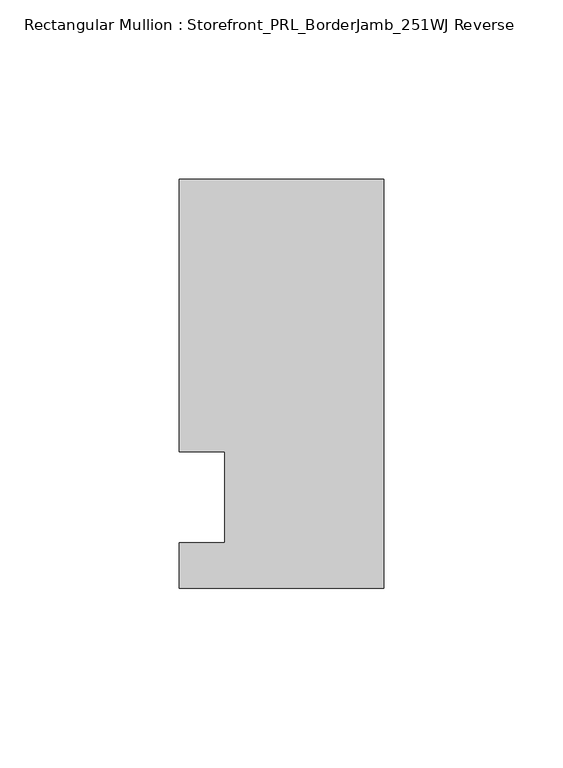
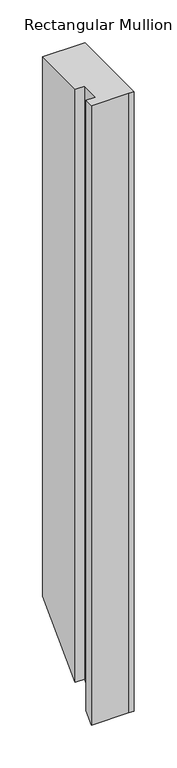
"""IFC4 building model written with IfcOpenShell, lengths in millimetres: member geometry, Rectangular Mullion : Storefront_PRL_BorderJamb_251WJ Reverse."""

from ifc_helpers import new_model, si_unit, origin, place, context, project, spatial, faceted_brep, source, transform, mapped, element, save


def rectangular_mullion_storefront_prl_borderjamb_251wj_reverse_e39357c2(model_context):
    return source(origin(), model_context, "Body", "Brep", [
        faceted_brep([(-44.45, 12.7, 0.0), (-44.45, -12.7, 0.0), (-57.15, -12.7, 0.0), (-57.15, -25.4, 0.0), (-7.3958824, -25.4, 0.0), (0.0, -25.4, 0.0), (0.0, 88.9, 0.0), (-6.35, 88.9, 0.0), (-57.15, 88.9, 0.0), (-57.15, 12.7, 0.0), (-44.45, 12.7, -844.55), (-44.45, -12.7, -869.95), (-57.15, -12.7, -869.95), (-57.15, -25.4, -882.65), (-7.3958824, -25.4, -882.65), (0.0, -25.4, -882.65), (0.0, 88.9, -768.35), (-6.35, 88.9, -768.35), (-57.15, 88.9, -768.35), (-57.15, 12.7, -844.55)], [[[0, 1, 2, 3, 4, 5, 6, 7, 8, 9]], [[1, 0, 10, 11]], [[2, 1, 11, 12]], [[3, 2, 12, 13]], [[4, 3, 13, 14]], [[5, 4, 14, 15]], [[6, 5, 15, 16]], [[7, 6, 16, 17]], [[8, 7, 17, 18]], [[9, 8, 18, 19]], [[0, 9, 19, 10]], [[10, 19, 18, 17, 16, 15, 14, 13, 12, 11]]]),
    ])


if __name__ == "__main__":
    model = new_model("IFC4")
    model_context = context("Model", 3, world=origin())
    ifc_project = project(units=[si_unit("LENGTHUNIT", "METRE", prefix="MILLI")], contexts=[model_context])
    site = spatial("IfcSite", under=ifc_project)
    building = spatial("IfcBuilding", under=site)
    placement = place(None, origin())
    rectangular_mullion_storefront_prl_borderjamb_251wj_reverse_shape = rectangular_mullion_storefront_prl_borderjamb_251wj_reverse_e39357c2(model_context)
    element("IfcMember", 1, ObjectType="Rectangular Mullion : Storefront_PRL_BorderJamb_251WJ Reverse", at=placement, inside=building, context=model_context, shape_type="MappedRepresentation", body=[
        mapped(rectangular_mullion_storefront_prl_borderjamb_251wj_reverse_shape, transform((0.0, 0.0, 0.0), x_axis=(1.0, 0.0, 0.0), y_axis=(0.0, 1.0, 0.0), z_axis=(0.0, 0.0, 1.0))),
    ])
    save(model, "model.ifc")
